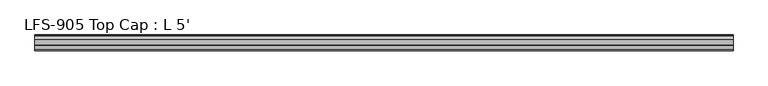
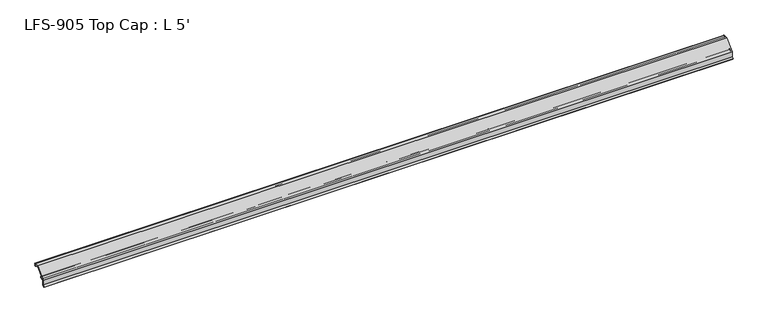
"""IFC4 building model written with IfcOpenShell, lengths in millimetres: proxy geometry, LFS-905 Top Cap : L 5'."""

from ifc_helpers import new_model, si_unit, frame, origin, place, context, project, spatial, polyline, circle_curve, source, transform, mapped, element, save
from ifc_brep_helpers import plane_surface, cylinder_surface, revolved_surface, advanced_brep


def lfs_905_top_cap_l_5_0a3606f6(model_context):
    return source(origin(), model_context, "Body", "AdvancedBrep", [
        advanced_brep(
        [(1524.0, -11.9842063, -4.7908498), (1524.0, -11.285332, -4.0919755), (1524.0, -10.4181218, -4.4511858), (1524.0, -10.0845373, -5.4848681), (1524.0, -8.8306218, -4.8356596), (1524.0, -8.8306218, -2.8545037), (1524.0, -6.319747, -2.2238726), (1524.0, -6.162328, -3.1153995), (1524.0, -4.5467242, -3.078236), (1524.0, -6.0988312, -0.2880269), (1524.0, -6.2733116, 0.9200448), (1524.0, 6.6291755, 13.822532), (1524.0, 7.7517076, 14.2875), (1524.0, 12.2396814, 14.2875), (1524.0, 12.7331269, 13.6587708), (1524.0, 15.9234901, 10.1995675), (1524.0, 16.9994388, 10.5588377), (1524.0, 16.7818575, 12.1019757), (1524.0, 15.8731607, 11.8349932), (1524.0, 15.5626213, 14.2875), (1524.0, 16.7406298, 14.2875), (1524.0, 16.7406298, 15.875), (1524.0, 15.7631892, 15.875), (1524.0, 6.4365795, 15.875), (1524.0, -14.0366743, -4.5982538), (1524.0, -14.0366743, -15.7272521), (1524.0, -17.4717033, -19.1622811), (1524.0, -16.3491713, -20.2848131), (1524.0, -12.4491743, -16.3848161), (1524.0, -12.4491743, -5.9133818), (0.0, -11.9842063, -4.7908498), (0.0, -12.4491743, -5.9133818), (0.0, -12.4491743, -16.3848161), (0.0, -16.3491713, -20.2848131), (0.0, -17.4717033, -19.1622811), (0.0, -14.0366743, -15.7272521), (0.0, -14.0366743, -4.5982538), (0.0, 6.4365795, 15.875), (0.0, 15.7631892, 15.875), (0.0, 16.7406298, 15.875), (0.0, 16.7406298, 14.2875), (0.0, 15.5626213, 14.2875), (0.0, 15.8760106, 11.8365279), (0.0, 16.7818575, 12.1019757), (0.0, 16.9994388, 10.5588377), (0.0, 15.9234901, 10.1995675), (0.0, 12.7331269, 13.6587708), (0.0, 12.2396814, 14.2875), (0.0, 7.7517076, 14.2875), (0.0, 6.6291755, 13.822532), (0.0, -6.2733116, 0.9200448), (0.0, -6.0988312, -0.2880269), (0.0, -4.5467242, -3.078236), (0.0, -6.162328, -3.1153995), (0.0, -6.319747, -2.2238726), (0.0, -8.8306218, -2.8545037), (0.0, -8.8306218, -4.8356596), (0.0, -10.0845373, -5.4848681), (0.0, -10.4181218, -4.4511858), (0.0, -11.285332, -4.0919755)],
        [
            (0, 1),
            (1, 2, circle_curve(frame((1524.0, -10.9261218, -4.4511858), z_axis=(-1.0, 0.0, 0.0), x_axis=(0.0, -1.0, 0.0)), 0.508)),
            (2, 3, circle_curve(frame((1524.0, -9.2294466, -4.6382503), z_axis=(1.0, 0.0, 0.0), x_axis=(0.0, -1.0, 0.0)), 1.2033045)),
            (3, 4, circle_curve(frame((1524.0, -9.6256418, -4.8356596), z_axis=(1.0, 0.0, 0.0), x_axis=(0.0, -1.0, 0.0)), 0.79502)),
            (4, 5),
            (5, 6, circle_curve(frame((1524.0, -7.4959898, -2.8545037), z_axis=(-1.0, 0.0, 0.0), x_axis=(0.0, -1.0, 0.0)), 1.334632)),
            (6, 7, circle_curve(frame((1524.0, -8.5533469, -3.077926), z_axis=(-1.0, 0.0, 0.0), x_axis=(0.0, -1.0, 0.0)), 2.3913126)),
            (7, 8, circle_curve(frame((1524.0, -5.3538072, -3.1280712), z_axis=(1.0, 0.0, 0.0), x_axis=(0.0, -1.0, 0.0)), 0.8086201)),
            (8, 9, circle_curve(frame((1524.0, -7.5911223, -2.9449413), z_axis=(1.0, 0.0, 0.0), x_axis=(0.0, -1.0, 0.0)), 3.0473147)),
            (9, 10, circle_curve(frame((1524.0, -5.7344963, 0.3812295), z_axis=(-1.0, 0.0, 0.0), x_axis=(0.0, -1.0, 0.0)), 0.762)),
            (10, 11),
            (11, 12, circle_curve(frame((1524.0, 7.7517076, 12.7), z_axis=(-1.0, 0.0, 0.0), x_axis=(0.0, -1.0, 0.0)), 1.5875)),
            (12, 13),
            (13, 14, circle_curve(frame((1524.0, 12.2396814, 13.7795), z_axis=(-1.0, 0.0, 0.0), x_axis=(0.0, -1.0, 0.0)), 0.508)),
            (14, 15, circle_curve(frame((1524.0, 15.4040561, 12.9213125), z_axis=(1.0, 0.0, 0.0), x_axis=(0.0, -1.0, 0.0)), 2.7708676)),
            (15, 16, circle_curve(frame((1524.0, 15.1258233, 14.3792045), z_axis=(1.0, 0.0, 0.0), x_axis=(0.0, -1.0, 0.0)), 4.255072)),
            (16, 17, circle_curve(frame((1524.0, 16.7408521, 11.3092856), z_axis=(1.0, 0.0, 0.0), x_axis=(0.0, -1.0, 0.0)), 0.79375)),
            (17, 18, circle_curve(frame((1524.0, 16.957198, 9.8252866), z_axis=(1.0, 0.0, 0.0), x_axis=(0.0, -1.0, 0.0)), 2.2834311)),
            (18, 19, circle_curve(frame((1524.0, 15.4821011, 13.0316829), z_axis=(-1.0, 0.0, 0.0), x_axis=(0.0, -1.0, 0.0)), 1.2583959)),
            (19, 20),
            (20, 21, circle_curve(frame((1524.0, 16.7406298, 15.08125), z_axis=(1.0, 0.0, 0.0), x_axis=(0.0, -1.0, 0.0)), 0.79375)),
            (21, 22),
            (22, 23),
            (23, 24),
            (24, 25),
            (25, 26),
            (26, 27),
            (27, 28),
            (28, 29),
            (29, 0, circle_curve(frame((1524.0, -10.8616743, -5.9133818), z_axis=(-1.0, 0.0, 0.0), x_axis=(0.0, -1.0, 0.0)), 1.5875)),
            (30, 31, circle_curve(frame((0.0, -10.8616743, -5.9133818), z_axis=(1.0, 0.0, 0.0), x_axis=(0.0, -1.0, 0.0)), 1.5875)),
            (31, 32),
            (32, 33),
            (33, 34),
            (34, 35),
            (35, 36),
            (36, 37),
            (37, 38),
            (38, 39),
            (39, 40, circle_curve(frame((0.0, 16.7406298, 15.08125), z_axis=(-1.0, 0.0, 0.0), x_axis=(0.0, -1.0, 0.0)), 0.79375)),
            (40, 41),
            (41, 42, circle_curve(frame((0.0, 15.4821011, 13.0316829), z_axis=(1.0, 0.0, 0.0), x_axis=(0.0, -1.0, 0.0)), 1.2583959)),
            (42, 43, circle_curve(frame((0.0, 16.957198, 9.8252866), z_axis=(-1.0, 0.0, 0.0), x_axis=(0.0, -1.0, 0.0)), 2.2834311)),
            (43, 44, circle_curve(frame((0.0, 16.7408521, 11.3092856), z_axis=(-1.0, 0.0, 0.0), x_axis=(0.0, -1.0, 0.0)), 0.79375)),
            (44, 45, circle_curve(frame((0.0, 15.1258233, 14.3792045), z_axis=(-1.0, 0.0, 0.0), x_axis=(0.0, -1.0, 0.0)), 4.255072)),
            (45, 46, circle_curve(frame((0.0, 15.4040561, 12.9213125), z_axis=(-1.0, 0.0, 0.0), x_axis=(0.0, -1.0, 0.0)), 2.7708676)),
            (46, 47, circle_curve(frame((0.0, 12.2396814, 13.7795), z_axis=(1.0, 0.0, 0.0), x_axis=(0.0, -1.0, 0.0)), 0.508)),
            (47, 48),
            (48, 49, circle_curve(frame((0.0, 7.7517076, 12.7), z_axis=(1.0, 0.0, 0.0), x_axis=(0.0, -1.0, 0.0)), 1.5875)),
            (49, 50),
            (50, 51, circle_curve(frame((0.0, -5.7344963, 0.3812295), z_axis=(1.0, 0.0, 0.0), x_axis=(0.0, -1.0, 0.0)), 0.762)),
            (51, 52, circle_curve(frame((0.0, -7.5911223, -2.9449413), z_axis=(-1.0, 0.0, 0.0), x_axis=(0.0, -1.0, 0.0)), 3.0473147)),
            (52, 53, circle_curve(frame((0.0, -5.3538072, -3.1280712), z_axis=(-1.0, 0.0, 0.0), x_axis=(0.0, -1.0, 0.0)), 0.8086201)),
            (53, 54, circle_curve(frame((0.0, -8.5533469, -3.077926), z_axis=(1.0, 0.0, 0.0), x_axis=(0.0, -1.0, 0.0)), 2.3913126)),
            (54, 55, circle_curve(frame((0.0, -7.4959898, -2.8545037), z_axis=(1.0, 0.0, 0.0), x_axis=(0.0, -1.0, 0.0)), 1.334632)),
            (55, 56),
            (56, 57, circle_curve(frame((0.0, -9.6256418, -4.8356596), z_axis=(-1.0, 0.0, 0.0), x_axis=(0.0, -1.0, 0.0)), 0.79502)),
            (57, 58, circle_curve(frame((0.0, -9.2294466, -4.6382503), z_axis=(-1.0, 0.0, 0.0), x_axis=(0.0, -1.0, 0.0)), 1.2033045)),
            (58, 59, circle_curve(frame((0.0, -10.9261218, -4.4511858), z_axis=(1.0, 0.0, 0.0), x_axis=(0.0, -1.0, 0.0)), 0.508)),
            (59, 30),
            (0, 30),
            (59, 1),
            (58, 2),
            (57, 3),
            (56, 4),
            (55, 5),
            (54, 6),
            (53, 7),
            (52, 8),
            (51, 9),
            (50, 10),
            (49, 11),
            (48, 12),
            (47, 13),
            (46, 14),
            (45, 15),
            (44, 16),
            (43, 17),
            (42, 18),
            (41, 19),
            (40, 20),
            (39, 21),
            (38, 22),
            (37, 23),
            (36, 24),
            (35, 25),
            (34, 26),
            (33, 27),
            (32, 28),
            (31, 29),
        ],
        [
            plane_surface(frame((1524.0, -11.9842063, -4.7908498), z_axis=(1.0000000000000002, 0.0, 0.0), x_axis=(0.0, 0.7071067811854889, 0.7071067811876063))),
            plane_surface(frame((0.0, -11.9842063, -4.7908498), z_axis=(-1.0000000000000002, 0.0, 0.0), x_axis=(0.0, -0.7071067811854889, -0.7071067811876063))),
            plane_surface(frame((1524.0, -11.9842063, -4.7908498), z_axis=(0.0, 0.7071067811876063, -0.7071067811854889), x_axis=(-1.0, 0.0, 0.0))),
            revolved_surface(polyline([(0.0, -11.4341218, -4.4511858), (1524.0, -11.4341218, -4.4511858)]), (0.0, -10.9261218, -4.4511858), (-1.0, 0.0, 0.0)),
            cylinder_surface(frame((0.0, -9.2294466, -4.6382503), z_axis=(1.0, 0.0, 0.0), x_axis=(0.0, -1.0, 0.0)), 1.2033045),
            cylinder_surface(frame((0.0, -9.6256418, -4.8356596), z_axis=(1.0, 0.0, 0.0), x_axis=(0.0, -1.0, 0.0)), 0.79502),
            plane_surface(frame((1524.0, -8.8306218, -4.8356596), z_axis=(0.0, 1.0, 0.0), x_axis=(-1.0, 0.0, 0.0))),
            revolved_surface(polyline([(0.0, -8.8306218, -2.8545037), (1524.0, -8.8306218, -2.8545037)]), (0.0, -7.4959898, -2.8545037), (-1.0, 0.0, 0.0)),
            revolved_surface(polyline([(0.0, -10.9446595, -3.077926), (1524.0, -10.9446595, -3.077926)]), (0.0, -8.5533469, -3.077926), (-1.0, 0.0, 0.0)),
            cylinder_surface(frame((0.0, -5.3538072, -3.1280712), z_axis=(1.0, 0.0, 0.0), x_axis=(0.0, -1.0, 0.0)), 0.8086201),
            cylinder_surface(frame((0.0, -7.5911223, -2.9449413), z_axis=(1.0, 0.0, 0.0), x_axis=(0.0, -1.0, 0.0)), 3.0473147),
            revolved_surface(polyline([(0.0, -6.4964963000000004, 0.3812295), (1524.0, -6.4964963000000004, 0.3812295)]), (0.0, -5.7344963, 0.3812295), (-1.0, 0.0, 0.0)),
            plane_surface(frame((1524.0, -6.2733116, 0.9200448), z_axis=(0.0, 0.7071067811865339, -0.7071067811865612), x_axis=(-1.0, 0.0, 0.0))),
            revolved_surface(polyline([(0.0, 6.164207599999999, 12.7), (1524.0, 6.164207599999999, 12.7)]), (0.0, 7.7517076, 12.7), (-1.0, 0.0, 0.0)),
            plane_surface(frame((1524.0, 7.7517076, 14.2875), z_axis=(0.0, 0.0, -1.0), x_axis=(-1.0, 0.0, 0.0))),
            revolved_surface(polyline([(0.0, 11.7316814, 13.7795), (1524.0, 11.7316814, 13.7795)]), (0.0, 12.2396814, 13.7795), (-1.0, 0.0, 0.0)),
            cylinder_surface(frame((0.0, 15.4040561, 12.9213125), z_axis=(1.0, 0.0, 0.0), x_axis=(0.0, -1.0, 0.0)), 2.7708676),
            cylinder_surface(frame((0.0, 15.1258233, 14.3792045), z_axis=(1.0, 0.0, 0.0), x_axis=(0.0, -1.0, 0.0)), 4.255072),
            cylinder_surface(frame((0.0, 16.7408521, 11.3092856), z_axis=(1.0, 0.0, 0.0), x_axis=(0.0, -1.0, 0.0)), 0.79375),
            cylinder_surface(frame((0.0, 16.957198, 9.8252866), z_axis=(1.0, 0.0, 0.0), x_axis=(0.0, -1.0, 0.0)), 2.2834311),
            revolved_surface(polyline([(0.0, 14.2237052, 13.0316829), (1524.0, 14.2237052, 13.0316829)]), (0.0, 15.4821011, 13.0316829), (-1.0, 0.0, 0.0)),
            plane_surface(frame((1524.0, 15.5626213, 14.2875), z_axis=(0.0, 0.0, -1.0), x_axis=(-1.0, 0.0, 0.0))),
            cylinder_surface(frame((0.0, 16.7406298, 15.08125), z_axis=(1.0, 0.0, 0.0), x_axis=(0.0, -1.0, 0.0)), 0.79375),
            plane_surface(frame((1524.0, 16.7406298, 15.875), z_axis=(0.0, 0.0, 1.0), x_axis=(-1.0, 0.0, 0.0))),
            plane_surface(frame((1524.0, 15.7631892, 15.875), z_axis=(0.0, 0.0, 1.0), x_axis=(-1.0, 0.0, 0.0))),
            plane_surface(frame((1524.0, 6.4365795, 15.875), z_axis=(0.0, -0.7071067811865581, 0.7071067811865369), x_axis=(-1.0, 0.0, 0.0))),
            plane_surface(frame((1524.0, -14.0366743, -4.5982538), z_axis=(0.0, -1.0, 0.0), x_axis=(-1.0, 0.0, 0.0))),
            plane_surface(frame((1524.0, -14.0366743, -15.7272521), z_axis=(0.0, -0.7071067811866965, 0.7071067811863986), x_axis=(-1.0, 0.0, 0.0))),
            plane_surface(frame((1524.0, -17.4717033, -19.1622811), z_axis=(0.0, -0.7071067811868007, -0.7071067811862944), x_axis=(-1.0, 0.0, 0.0))),
            plane_surface(frame((1524.0, -16.3491713, -20.2848131), z_axis=(0.0, 0.7071067811865882, -0.7071067811865068), x_axis=(-1.0, 0.0, 0.0))),
            plane_surface(frame((1524.0, -12.4491743, -16.3848161), z_axis=(0.0, 1.0, 0.0), x_axis=(-1.0, 0.0, 0.0))),
            revolved_surface(polyline([(0.0, -12.449174300000001, -5.9133818), (1524.0, -12.449174300000001, -5.9133818)]), (0.0, -10.8616743, -5.9133818), (-1.0, 0.0, 0.0)),
        ],
        [
            (0, [[1, 2, 3, 4, 5, 6, 7, 8, 9, 10, 11, 12, 13, 14, 15, 16, 17, 18, 19, 20, 21, 22, 23, 24, 25, 26, 27, 28, 29, 30]]),
            (1, [[31, 32, 33, 34, 35, 36, 37, 38, 39, 40, 41, 42, 43, 44, 45, 46, 47, 48, 49, 50, 51, 52, 53, 54, 55, 56, 57, 58, 59, 60]]),
            (2, [[-1, 61, -60, 62]]),
            (3, [[-2, -62, -59, 63]]),
            (4, [[-3, -63, -58, 64]]),
            (5, [[-4, -64, -57, 65]]),
            (6, [[-5, -65, -56, 66]]),
            (7, [[-6, -66, -55, 67]]),
            (8, [[-7, -67, -54, 68]]),
            (9, [[-8, -68, -53, 69]]),
            (10, [[-9, -69, -52, 70]]),
            (11, [[-10, -70, -51, 71]]),
            (12, [[-11, -71, -50, 72]]),
            (13, [[-12, -72, -49, 73]]),
            (14, [[-13, -73, -48, 74]]),
            (15, [[-14, -74, -47, 75]]),
            (16, [[-15, -75, -46, 76]]),
            (17, [[-16, -76, -45, 77]]),
            (18, [[-17, -77, -44, 78]]),
            (19, [[-18, -78, -43, 79]]),
            (20, [[-19, -79, -42, 80]]),
            (21, [[-20, -80, -41, 81]]),
            (22, [[-21, -81, -40, 82]]),
            (23, [[-22, -82, -39, 83]]),
            (24, [[-23, -83, -38, 84]]),
            (25, [[-24, -84, -37, 85]]),
            (26, [[-25, -85, -36, 86]]),
            (27, [[-26, -86, -35, 87]]),
            (28, [[-27, -87, -34, 88]]),
            (29, [[-28, -88, -33, 89]]),
            (30, [[-29, -89, -32, 90]]),
            (31, [[-30, -90, -31, -61]]),
        ],
    ),
    ])


if __name__ == "__main__":
    model = new_model("IFC4")
    model_context = context("Model", 3, world=origin())
    ifc_project = project(units=[si_unit("LENGTHUNIT", "METRE", prefix="MILLI")], contexts=[model_context])
    site = spatial("IfcSite", under=ifc_project)
    building = spatial("IfcBuilding", under=site)
    placement = place(None, origin())
    lfs_905_top_cap_l_5_shape = lfs_905_top_cap_l_5_0a3606f6(model_context)
    element("IfcBuildingElementProxy", 1, Name="LFS-905 Top Cap : L 5'", ObjectType="LFS-905 Top Cap : L 5'", at=placement, inside=building, context=model_context, shape_type="MappedRepresentation", body=[
        mapped(lfs_905_top_cap_l_5_shape, transform((0.0, 0.0, 0.0), x_axis=(1.0, 0.0, 0.0), y_axis=(0.0, 1.0, 0.0), z_axis=(0.0, 0.0, 1.0))),
    ])
    save(model, "model.ifc")
